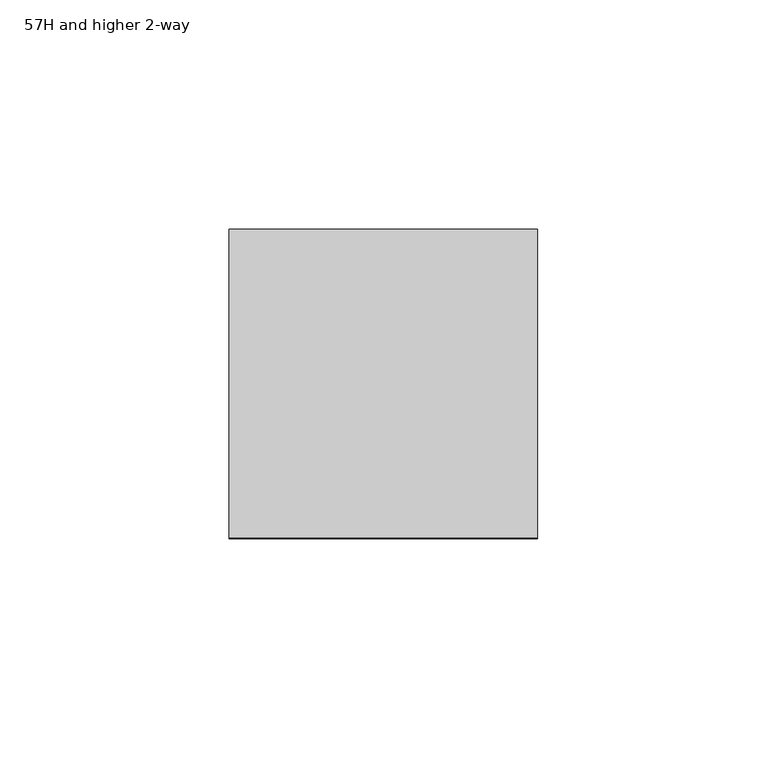
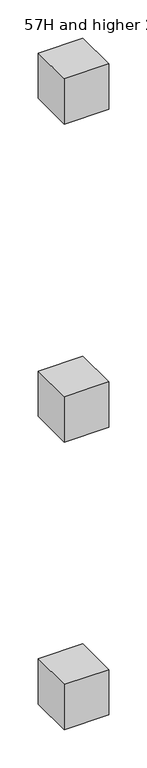
"""IFC4 building model written with IfcOpenShell, lengths in millimetres: furniture geometry, 57H and higher 2-way."""

from ifc_helpers import new_model, si_unit, frame, origin, place, context, project, spatial, polyline, outline, extrude, source, transform, mapped, element, save


def furniture_57h_and_higher_2_way_76a83ec6(model_context):
    return source(origin(), model_context, "Body", "SweptSolid", [
        extrude(outline(polyline([(33.6311875, -33.6311875), (-33.6311875, -33.6311875), (-33.6311875, 33.6311875), (33.6311875, 33.6311875), (33.6311875, -33.6311875)])), frame((0.0, 0.0, 1158.2201563), z_axis=(0.0, 0.0, 1.0), x_axis=(1.0, 0.0, 0.0)), (0.0, 0.0, 1.0), 72.39),
        extrude(outline(polyline([(33.6311875, -33.6311875), (-33.6311875, -33.6311875), (-33.6311875, 33.6311875), (33.6311875, 33.6311875), (33.6311875, -33.6311875)])), frame((0.0, 0.0, 651.5100145), z_axis=(0.0, 0.0, 1.0), x_axis=(1.0, 0.0, 0.0)), (0.0, 0.0, 1.0), 72.3899855),
        extrude(outline(polyline([(33.6311875, 33.6311875), (33.6311875, -33.6311875), (-33.6311875, -33.6311875), (-33.6311875, 33.6311875), (33.6311875, 33.6311875)])), frame((0.0, 0.0, 193.0399976), z_axis=(0.0, 0.0, 1.0), x_axis=(1.0, 0.0, 0.0)), (0.0, 0.0, 1.0), 72.39),
    ])


if __name__ == "__main__":
    model = new_model("IFC4")
    model_context = context("Model", 3, world=origin())
    ifc_project = project(units=[si_unit("LENGTHUNIT", "METRE", prefix="MILLI")], contexts=[model_context])
    site = spatial("IfcSite", under=ifc_project)
    building = spatial("IfcBuilding", under=site)
    placement = place(None, origin())
    furniture_57h_and_higher_2_way_shape = furniture_57h_and_higher_2_way_76a83ec6(model_context)
    element("IfcFurniture", 1, ObjectType="57H and higher 2-way", at=placement, inside=building, context=model_context, shape_type="MappedRepresentation", body=[
        mapped(furniture_57h_and_higher_2_way_shape, transform((0.0, 0.0, 0.0), x_axis=(1.0, 0.0, 0.0), y_axis=(0.0, 1.0, 0.0), z_axis=(0.0, 0.0, 1.0))),
    ])
    save(model, "model.ifc")
